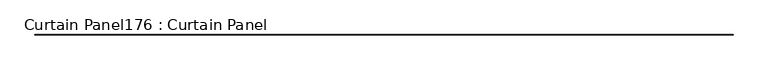
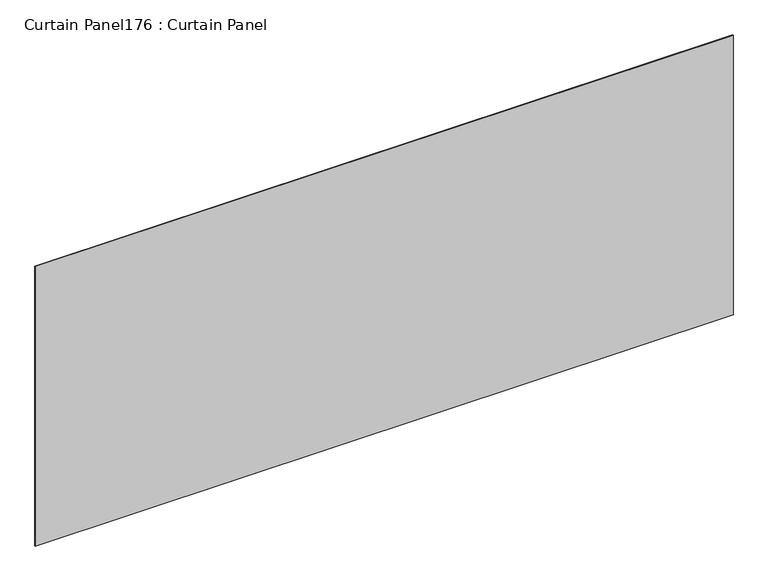
"""IFC4 building model written with IfcOpenShell, lengths in millimetres: plate geometry, Curtain Panel176 : Curtain Panel."""

from ifc_helpers import new_model, si_unit, frame, origin, place, context, project, spatial, polyline, outline, extrude, source, transform, mapped, element, save


def curtain_panel176_curtain_panel_a4e24fd5(model_context):
    return source(origin(), model_context, "Body", "SweptSolid", [
        extrude(outline(polyline([(546859.9957972, 2644.7439437), (529333.9957972, 2644.7439437), (529333.9957972, 2651.0939437), (546859.9957972, 2651.0939437), (546859.9957972, 2644.7439437)])), frame((0.0, 0.0, 26324.9191442), z_axis=(0.0, 0.0, 1.0), x_axis=(1.0, 0.0, 0.0)), (0.0, 0.0, 1.0), 7427.8950184),
    ])


if __name__ == "__main__":
    model = new_model("IFC4")
    model_context = context("Model", 3, world=origin())
    ifc_project = project(units=[si_unit("LENGTHUNIT", "METRE", prefix="MILLI")], contexts=[model_context])
    site = spatial("IfcSite", under=ifc_project)
    building = spatial("IfcBuilding", under=site)
    placement = place(None, origin())
    curtain_panel176_curtain_panel_shape = curtain_panel176_curtain_panel_a4e24fd5(model_context)
    element("IfcPlate", 1, ObjectType="Curtain Panel176 : Curtain Panel", at=placement, inside=building, context=model_context, shape_type="MappedRepresentation", body=[
        mapped(curtain_panel176_curtain_panel_shape, transform((0.0, 0.0, 0.0), x_axis=(1.0, 0.0, 0.0), y_axis=(0.0, 1.0, 0.0), z_axis=(0.0, 0.0, 1.0))),
    ])
    save(model, "model.ifc")
